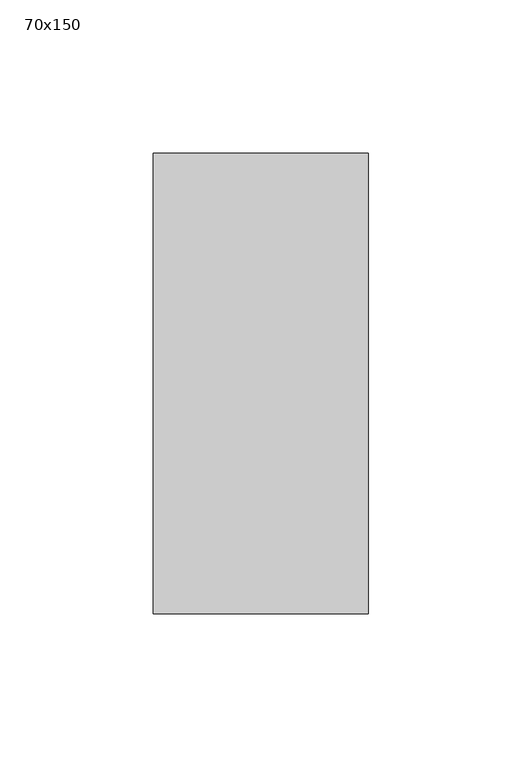
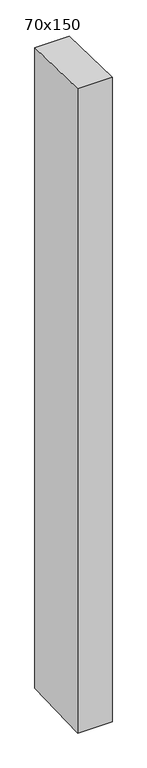
"""IFC4 building model written with IfcOpenShell, lengths in millimetres: member geometry, 70x150."""

from ifc_helpers import new_model, si_unit, frame, origin, place, context, project, spatial, polyline, outline, extrude, source, transform, mapped, element, save


def member_70x150_7b6bfe59(model_context):
    return source(origin(), model_context, "Body", "SweptSolid", [
        extrude(outline(polyline([(-75.0, 1.3778058), (75.0, -1.3778058), (75.0, -1377.4847874), (-75.0, -1382.2729929), (-75.0, 1.3778058)])), frame((-35.0, 0.0, 0.0), z_axis=(1.0, 0.0, 0.0), x_axis=(0.0, 1.0, 0.0)), (0.0, 0.0, 1.0), 70.0),
    ])


if __name__ == "__main__":
    model = new_model("IFC4")
    model_context = context("Model", 3, world=origin())
    ifc_project = project(units=[si_unit("LENGTHUNIT", "METRE", prefix="MILLI")], contexts=[model_context])
    site = spatial("IfcSite", under=ifc_project)
    building = spatial("IfcBuilding", under=site)
    placement = place(None, origin())
    member_70x150_shape = member_70x150_7b6bfe59(model_context)
    element("IfcMember", 1, ObjectType="70x150", at=placement, inside=building, context=model_context, shape_type="MappedRepresentation", body=[
        mapped(member_70x150_shape, transform((0.0, 0.0, 0.0), x_axis=(1.0, 0.0, 0.0), y_axis=(0.0, 1.0, 0.0), z_axis=(0.0, 0.0, 1.0))),
    ])
    save(model, "model.ifc")
